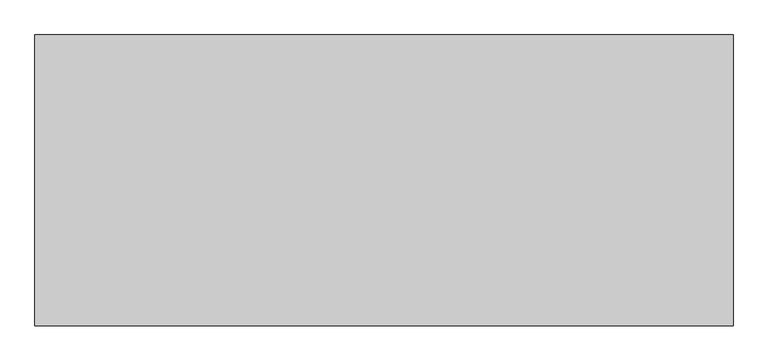
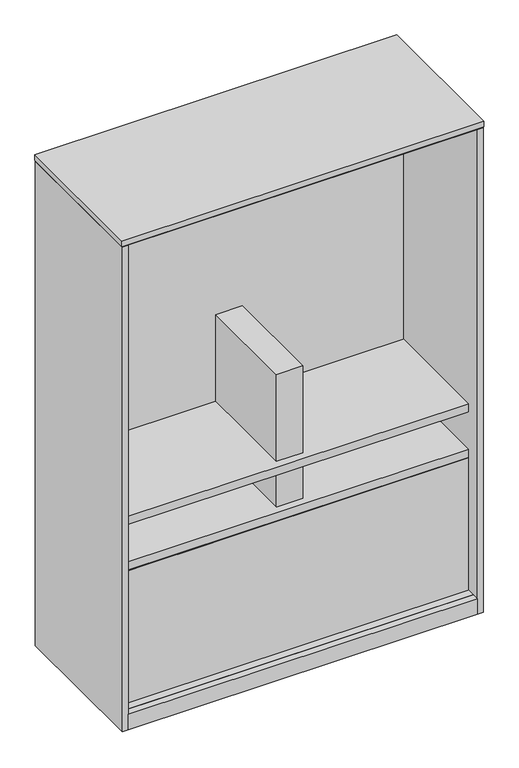
"""IFC4 building model written with IfcOpenShell, lengths in millimetres: furniture geometry."""

from ifc_helpers import new_model, si_unit, point, frame, frame_2d, origin, origin_with_axes, place, context, project, spatial, polyline, circle_curve, trimmed, segment, composite_curve, outline, extrude, source, transform, mapped, element, save


def furniture_0d1fd88a(model_context):
    return source(origin(), model_context, "Body", "SweptSolid", [
        extrude(outline(polyline([(1191.25238, -76.6318), (21.59762, -76.6318), (21.59762, -51.2318), (1191.25238, -51.2318), (1191.25238, -76.6318)])), frame((0.0, 0.0, 58.7502), z_axis=(0.0, 0.0, 1.0), x_axis=(1.0, 0.0, 0.0)), (0.0, 0.0, 1.0), 467.89594),
        extrude(outline(polyline([(650.875, -428.1932), (561.975, -428.1932), (561.975, -76.6318), (650.875, -76.6318), (650.875, -428.1932)])), frame((0.0, 0.0, 719.20354), z_axis=(0.0, 0.0, 1.0), x_axis=(1.0, 0.0, 0.0)), (0.0, 0.0, 1.0), 307.32222),
        extrude(outline(polyline([(1191.25238, -453.5932), (21.59762, -453.5932), (21.59762, -428.1932), (1191.25238, -428.1932), (1191.25238, -453.5932)])), frame((0.0, 0.0, 58.7502), z_axis=(0.0, 0.0, 1.0), x_axis=(1.0, 0.0, 0.0)), (0.0, 0.0, 1.0), 467.89594),
        extrude(outline(composite_curve([segment(polyline([(703.024704, 561.975), (557.60112, 561.975), (557.60112, 650.875), (703.024704, 650.875), (703.024704, 625.475)]), True, "CONTINUOUS"), segment(trimmed(circle_curve(frame_2d((703.024704, 606.425)), 19.05), [point((703.024704, 625.475))], [point((703.024704, 587.375))], True, "CARTESIAN"), True, "CONTINUOUS"), segment(polyline([(703.024704, 587.375), (703.024704, 561.975)]), True, "CONTINUOUS")], self_intersect=False)), frame((0.0, -428.1932, 0.0), z_axis=(0.0, 1.0, 0.0), x_axis=(0.0, 0.0, 1.0)), (0.0, 0.0, 1.0), 351.5614),
        extrude(outline(polyline([(1191.25238, -453.5932), (21.59762, -453.5932), (21.59762, -51.2318), (1191.25238, -51.2318), (1191.25238, -453.5932)])), frame((0.0, 0.0, 529.16328), z_axis=(0.0, 0.0, 1.0), x_axis=(1.0, 0.0, 0.0)), (0.0, 0.0, 1.0), 28.43784),
        extrude(outline(polyline([(1191.25238, -453.5932), (21.59762, -453.5932), (21.59762, -51.2318), (1191.25238, -51.2318), (1191.25238, -453.5932)])), frame((0.0, 0.0, 690.7657), z_axis=(0.0, 0.0, 1.0), x_axis=(1.0, 0.0, 0.0)), (0.0, 0.0, 1.0), 28.43784),
        extrude(outline(polyline([(1191.25238, -76.6318), (21.59762, -76.6318), (21.59762, -51.2318), (1191.25238, -51.2318), (1191.25238, -76.6318)])), frame((0.0, 0.0, 719.20354), z_axis=(0.0, 0.0, 1.0), x_axis=(1.0, 0.0, 0.0)), (0.0, 0.0, 1.0), 805.71086),
        extrude(outline(polyline([(1191.25238, -453.5932), (21.59762, -453.5932), (21.59762, -51.2318), (1191.25238, -51.2318), (1191.25238, -453.5932)])), frame((0.0, 0.0, 1693.2148), z_axis=(0.0, 0.0, 1.0), x_axis=(1.0, 0.0, 0.0)), (0.0, 0.0, 1.0), 26.924),
        extrude(outline(polyline([(1210.564, -502.92), (3.8735, -502.92), (3.8735, -0.7874), (1210.564, -0.7874), (1210.564, -502.92)])), frame((0.0, 0.0, 1720.1388), z_axis=(0.0, 0.0, 1.0), x_axis=(1.0, 0.0, 0.0)), (0.0, 0.0, 1.0), 1.905),
        extrude(outline(polyline([(1191.25238, -481.7618), (1191.25238, -504.825), (21.59762, -504.825), (21.59762, -481.7618), (1191.25238, -481.7618)])), frame((0.0, 0.0, 3.5814), z_axis=(0.0, 0.0, 1.0), x_axis=(1.0, 0.0, 0.0)), (0.0, 0.0, 1.0), 55.1688),
        extrude(outline(polyline([(46.1772, -71.0692), (61.8363, -80.1099856), (61.8363, -98.1915568), (46.1772, -107.2323424), (30.5181, -98.1915568), (30.5181, -80.1099856), (46.1772, -71.0692)])), origin_with_axes(), (0.0, 0.0, 1.0), 8.4328),
        extrude(outline(polyline([(46.1772, -478.6376), (30.5181, -469.5968144), (30.5181, -451.5152432), (46.1772, -442.4744576), (61.8363, -451.5152432), (61.8363, -469.5968144), (46.1772, -478.6376)])), origin_with_axes(), (0.0, 0.0, 1.0), 8.4328),
        extrude(outline(polyline([(1166.6728, -71.0692), (1182.3319, -80.1099856), (1182.3319, -98.1915568), (1166.6728, -107.2323424), (1151.0137, -98.1915568), (1151.0137, -80.1099856), (1166.6728, -71.0692)])), origin_with_axes(), (0.0, 0.0, 1.0), 8.4328),
        extrude(outline(polyline([(1166.6728, -478.6376), (1151.0137, -469.5968144), (1151.0137, -451.5152432), (1166.6728, -442.4744576), (1182.3319, -451.5152432), (1182.3319, -469.5968144), (1166.6728, -478.6376)])), origin_with_axes(), (0.0, 0.0, 1.0), 8.4328),
        extrude(outline(polyline([(1212.85, -504.825), (0.0, -504.825), (0.0, 0.0), (1212.85, 0.0), (1212.85, -504.825)])), frame((0.0, 0.0, 1723.6948), z_axis=(0.0, 0.0, 1.0), x_axis=(1.0, 0.0, 0.0)), (0.0, 0.0, 1.0), 19.304),
        extrude(outline(polyline([(1191.25238, 0.0), (1191.25238, -481.7618), (21.59762, -481.7618), (21.59762, 0.0), (1191.25238, 0.0)])), frame((0.0, 0.0, 3.5814), z_axis=(0.0, 0.0, 1.0), x_axis=(1.0, 0.0, 0.0)), (0.0, 0.0, 1.0), 55.1688),
        extrude(outline(polyline([(21.59762, -504.825), (1.5875, -504.825), (1.5875, 0.0), (21.59762, 0.0), (21.59762, -504.825)])), frame((0.0, 0.0, 3.5814), z_axis=(0.0, 0.0, 1.0), x_axis=(1.0, 0.0, 0.0)), (0.0, 0.0, 1.0), 1716.5574),
        extrude(outline(polyline([(1211.2625, -504.825), (1191.25238, -504.825), (1191.25238, 0.0), (1211.2625, 0.0), (1211.2625, -504.825)])), frame((0.0, 0.0, 3.5814), z_axis=(0.0, 0.0, 1.0), x_axis=(1.0, 0.0, 0.0)), (0.0, 0.0, 1.0), 1716.5574),
    ])


if __name__ == "__main__":
    model = new_model("IFC4")
    model_context = context("Model", 3, world=origin())
    ifc_project = project(units=[si_unit("LENGTHUNIT", "METRE", prefix="MILLI")], contexts=[model_context])
    site = spatial("IfcSite", under=ifc_project)
    building = spatial("IfcBuilding", under=site)
    placement = place(None, origin())
    furniture_shape = furniture_0d1fd88a(model_context)
    element("IfcFurniture", 1, at=placement, inside=building, context=model_context, shape_type="MappedRepresentation", body=[
        mapped(furniture_shape, transform((0.0, 0.0, 0.0), x_axis=(1.0, 0.0, 0.0), y_axis=(0.0, 1.0, 0.0), z_axis=(0.0, 0.0, 1.0))),
    ])
    save(model, "model.ifc")
